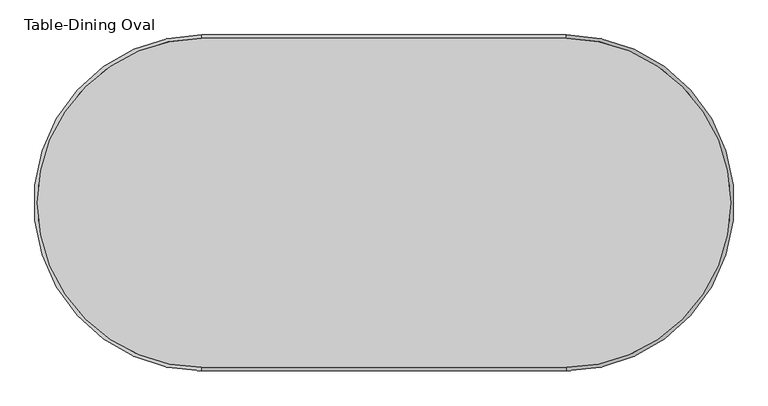
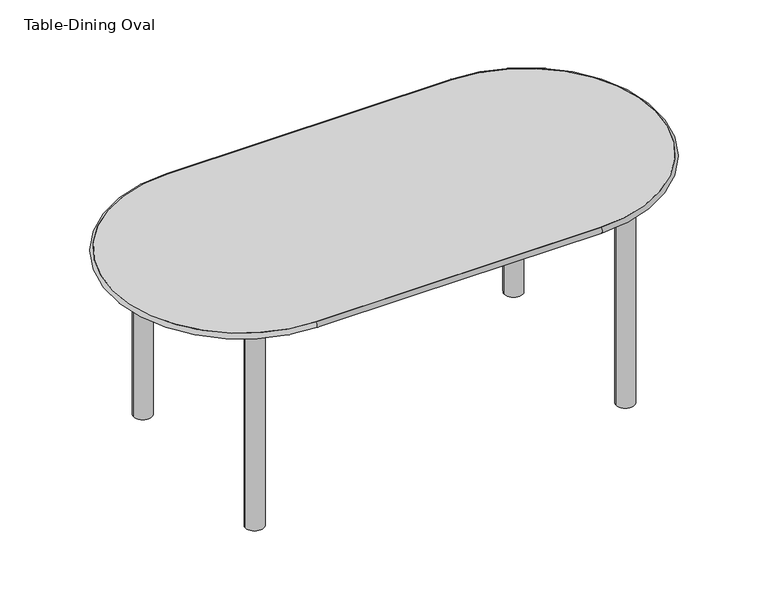
"""IFC4 building model written with IfcOpenShell, lengths in millimetres: furniture geometry, Table-Dining Oval."""

from ifc_helpers import new_model, si_unit, point, frame, frame_2d, origin, origin_with_axes, place, context, project, spatial, polyline, circle_curve, ellipse_curve, trimmed, segment, composite_curve, outline, extrude, source, transform, mapped, element, save
from ifc_brep_helpers import plane_surface, cylinder_surface, revolved_surface, advanced_brep


def table_dining_oval_9b441e94(model_context):
    return source(origin(), model_context, "Body", "SolidModel", [
        extrude(outline(composite_curve([segment(polyline([(-897.1196721, 89.5766393), (93.4803279, 89.5766393)]), True, "CONTINUOUS"), segment(trimmed(circle_curve(frame_2d((93.4803279, -358.0983607)), 447.675), [point((93.4803279, 89.5766393))], [point((541.1553279, -358.0983607))], False, "CARTESIAN"), True, "CONTINUOUS"), segment(trimmed(circle_curve(frame_2d((93.4803279, -358.0983607)), 447.675), [point((541.1553279, -358.0983607))], [point((93.4803279, -805.7733607))], False, "CARTESIAN"), True, "CONTINUOUS"), segment(polyline([(93.4803279, -805.7733607), (-897.1196721, -805.7733607)]), True, "CONTINUOUS"), segment(trimmed(circle_curve(frame_2d((-897.1196721, -358.0983607)), 447.675), [point((-897.1196721, -805.7733607))], [point((-1344.7946721, -358.0983607))], False, "CARTESIAN"), True, "CONTINUOUS"), segment(trimmed(circle_curve(frame_2d((-897.1196721, -358.0983607)), 447.675), [point((-1344.7946721, -358.0983607))], [point((-897.1196721, 89.5766393))], False, "CARTESIAN"), True, "CONTINUOUS")], self_intersect=False)), frame((0.0, 0.0, 742.95), z_axis=(0.0, 0.0, 1.0), x_axis=(1.0, 0.0, 0.0)), (0.0, 0.0, 1.0), 19.05),
        extrude(outline(polyline([(261.7553279, -2.4983607), (261.7553279, -713.6983607), (-1065.3946721, -713.6983607), (-1065.3946721, -2.4983607), (261.7553279, -2.4983607)]), holes=[polyline([(242.7053279, -21.5483607), (-1046.3446721, -21.5483607), (-1046.3446721, -694.6483607), (242.7053279, -694.6483607), (242.7053279, -21.5483607)])]), frame((0.0, 0.0, 692.15), z_axis=(0.0, 0.0, 1.0), x_axis=(1.0, 0.0, 0.0)), (0.0, 0.0, 1.0), 50.8),
        extrude(outline(composite_curve([segment(trimmed(circle_curve(frame_2d((-1046.3446721, -21.5483607)), 31.75), [point((-1078.0946721, -21.5483607))], [point((-1014.5946721, -21.5483607))], False, "CARTESIAN"), True, "CONTINUOUS"), segment(trimmed(circle_curve(frame_2d((-1046.3446721, -21.5483607)), 31.75), [point((-1014.5946721, -21.5483607))], [point((-1078.0946721, -21.5483607))], False, "CARTESIAN"), True, "CONTINUOUS")], self_intersect=False)), origin_with_axes(), (0.0, 0.0, 1.0), 742.95),
        extrude(outline(composite_curve([segment(trimmed(circle_curve(frame_2d((-1046.3446721, -694.6483607)), 31.75), [point((-1078.0946721, -694.6483607))], [point((-1014.5946721, -694.6483607))], False, "CARTESIAN"), True, "CONTINUOUS"), segment(trimmed(circle_curve(frame_2d((-1046.3446721, -694.6483607)), 31.75), [point((-1014.5946721, -694.6483607))], [point((-1078.0946721, -694.6483607))], False, "CARTESIAN"), True, "CONTINUOUS")], self_intersect=False)), origin_with_axes(), (0.0, 0.0, 1.0), 742.95),
        extrude(outline(composite_curve([segment(trimmed(circle_curve(frame_2d((242.7053279, -21.5483607)), 31.75), [point((210.9553279, -21.5483607))], [point((274.4553279, -21.5483607))], False, "CARTESIAN"), True, "CONTINUOUS"), segment(trimmed(circle_curve(frame_2d((242.7053279, -21.5483607)), 31.75), [point((274.4553279, -21.5483607))], [point((210.9553279, -21.5483607))], False, "CARTESIAN"), True, "CONTINUOUS")], self_intersect=False)), origin_with_axes(), (0.0, 0.0, 1.0), 742.95),
        extrude(outline(composite_curve([segment(trimmed(circle_curve(frame_2d((242.7053279, -694.6483607)), 31.75), [point((210.9553279, -694.6483607))], [point((274.4553279, -694.6483607))], False, "CARTESIAN"), True, "CONTINUOUS"), segment(trimmed(circle_curve(frame_2d((242.7053279, -694.6483607)), 31.75), [point((274.4553279, -694.6483607))], [point((210.9553279, -694.6483607))], False, "CARTESIAN"), True, "CONTINUOUS")], self_intersect=False)), origin_with_axes(), (0.0, 0.0, 1.0), 742.95),
        advanced_brep(
        [(-897.1196721, -805.7733607, 762.0), (-897.1196721, -805.7733607, 742.95), (93.4803279, -805.7733607, 742.95), (93.4803279, -805.7733607, 762.0), (93.4803279, 89.5766393, 762.0), (93.4803279, 89.5766393, 742.95), (-897.1196721, 89.5766393, 742.95), (-897.1196721, 89.5766393, 762.0)],
        [
            (0, 1, circle_curve(frame((-897.1196721, -805.7733607, 752.475), z_axis=(1.0, 0.0, 0.0), x_axis=(0.0, 1.0, 0.0)), 9.525)),
            (1, 2),
            (2, 3, circle_curve(frame((93.4803279, -805.7733607, 752.475), z_axis=(-1.0, 0.0, 0.0), x_axis=(0.0, 1.0, 0.0)), 9.525)),
            (3, 0),
            (1, 0),
            (3, 2),
            (4, 3, circle_curve(frame((93.4803279, -358.0983607, 762.0), z_axis=(0.0, 0.0, -1.0), x_axis=(0.0, -1.0, 0.0)), 447.675)),
            (2, 5, circle_curve(frame((93.4803279, -358.0983607, 742.95), z_axis=(0.0, 0.0, 1.0), x_axis=(0.0, -1.0, 0.0)), 447.675)),
            (5, 4, circle_curve(frame((93.4803279, 89.5766393, 752.475), z_axis=(1.0, 0.0, 0.0), x_axis=(0.0, -1.0, 0.0)), 9.525)),
            (4, 5),
            (5, 6),
            (6, 7, circle_curve(frame((-897.1196721, 89.5766393, 752.475), z_axis=(1.0, 0.0, 0.0), x_axis=(0.0, -1.0, 0.0)), 9.525)),
            (7, 4),
            (7, 6),
            (0, 7, circle_curve(frame((-897.1196721, -358.0983607, 762.0), z_axis=(0.0, 0.0, -1.0), x_axis=(0.0, 1.0, 0.0)), 447.675)),
            (6, 1, circle_curve(frame((-897.1196721, -358.0983607, 742.95), z_axis=(0.0, 0.0, 1.0), x_axis=(0.0, 1.0, 0.0)), 447.675)),
        ],
        [
            cylinder_surface(frame((-897.1196721, -805.7733607, 752.475), z_axis=(-1.0, 0.0, 0.0), x_axis=(0.0, 1.0, 0.0)), 9.525),
            plane_surface(frame((-897.1196721, -805.7733607, 762.0), z_axis=(0.0, 1.0, 0.0), x_axis=(1.0, 0.0, 0.0))),
            revolved_surface(trimmed(ellipse_curve(frame((93.4803279, -805.7733607, 752.475), z_axis=(-1.0, 0.0, 0.0), x_axis=(0.0, 1.0, 0.0)), 9.525, 9.525), [point((93.4803279, -805.7733607, 742.95))], [point((93.4803279, -805.7733607, 762.0))], True, "CARTESIAN"), (93.4803279, -358.0983607, 0.0), (0.0, 0.0, 1.0)),
            revolved_surface(polyline([(93.4803279, -805.7733607, 762.0), (93.4803279, -805.7733607, 742.95)]), (93.4803279, -358.0983607, 0.0), (0.0, 0.0, 1.0)),
            cylinder_surface(frame((93.4803279, 89.5766393, 752.475), z_axis=(1.0, 0.0, 0.0), x_axis=(0.0, -1.0, 0.0)), 9.525),
            plane_surface(frame((93.4803279, 89.5766393, 762.0), z_axis=(0.0, -1.0, 0.0), x_axis=(-1.0, 0.0, 0.0))),
            revolved_surface(trimmed(ellipse_curve(frame((-897.1196721, 89.5766393, 752.475), z_axis=(1.0, 0.0, 0.0), x_axis=(0.0, -1.0, 0.0)), 9.525, 9.525), [point((-897.1196721, 89.5766393, 742.95))], [point((-897.1196721, 89.5766393, 762.0))], True, "CARTESIAN"), (-897.1196721, -358.0983607, 0.0), (0.0, 0.0, 1.0)),
            revolved_surface(polyline([(-897.1196721, 89.57663930000001, 762.0), (-897.1196721, 89.57663930000001, 742.95)]), (-897.1196721, -358.0983607, 0.0), (0.0, 0.0, 1.0)),
        ],
        [
            (0, [[1, 2, 3, 4]]),
            (1, [[5, -4, 6, -2]]),
            (2, [[7, -3, 8, 9]]),
            (3, [[-8, -6, -7, 10]]),
            (4, [[-9, 11, 12, 13]]),
            (5, [[-10, -13, 14, -11]]),
            (6, [[15, -12, 16, -1]]),
            (7, [[-16, -14, -15, -5]]),
        ],
    ),
    ])


if __name__ == "__main__":
    model = new_model("IFC4")
    model_context = context("Model", 3, world=origin())
    ifc_project = project(units=[si_unit("LENGTHUNIT", "METRE", prefix="MILLI")], contexts=[model_context])
    site = spatial("IfcSite", under=ifc_project)
    building = spatial("IfcBuilding", under=site)
    placement = place(None, origin())
    table_dining_oval_shape = table_dining_oval_9b441e94(model_context)
    element("IfcFurniture", 1, ObjectType="Table-Dining Oval", at=placement, inside=building, context=model_context, shape_type="MappedRepresentation", body=[
        mapped(table_dining_oval_shape, transform((0.0, 0.0, 0.0), x_axis=(1.0, 0.0, 0.0), y_axis=(0.0, 1.0, 0.0), z_axis=(0.0, 0.0, 1.0))),
    ])
    save(model, "model.ifc")
